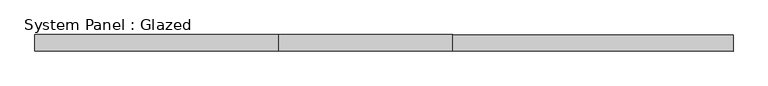
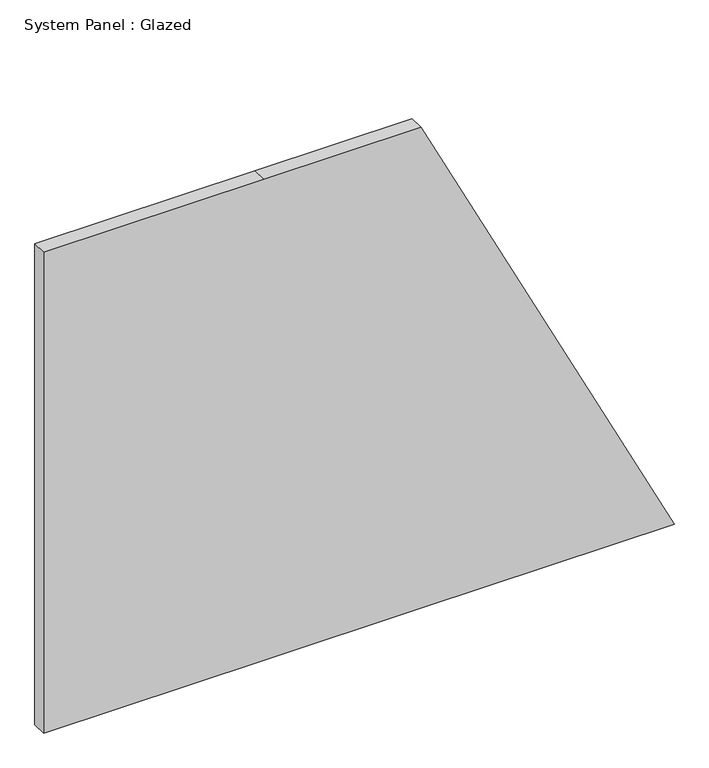
"""IFC4 building model written with IfcOpenShell, lengths in millimetres: plate geometry, System Panel : Glazed."""

from ifc_helpers import new_model, si_unit, point, frame, frame_2d, origin, place, context, project, spatial, polyline, circle_curve, trimmed, segment, composite_curve, outline, extrude, source, transform, mapped, element, save


def system_panel_glazed_67a1e28f(model_context):
    return source(origin(), model_context, "Body", "SweptSolid", [
        extrude(outline(composite_curve([segment(polyline([(0.0, -527.70267), (0.0, -158.9291586), (0.0, 105.7154213), (0.0, 527.70267)]), True, "CONTINUOUS"), segment(trimmed(circle_curve(frame_2d((-2376.8533559, -5302.5159721)), 6296.1004829), [point((0.0, 527.70267))], [point((850.0, 103.8042839))], False, "CARTESIAN"), True, "CONTINUOUS"), segment(polyline([(850.0, 103.8042839), (850.0, -158.9291586), (850.0, -527.70267), (0.0, -527.70267)]), True, "CONTINUOUS")], self_intersect=False)), frame((0.0, 24.5, 0.0), z_axis=(0.0, 1.0, 0.0), x_axis=(0.0, 0.0, 1.0)), (0.0, 0.0, 1.0), 25.0),
    ])


if __name__ == "__main__":
    model = new_model("IFC4")
    model_context = context("Model", 3, world=origin())
    ifc_project = project(units=[si_unit("LENGTHUNIT", "METRE", prefix="MILLI")], contexts=[model_context])
    site = spatial("IfcSite", under=ifc_project)
    building = spatial("IfcBuilding", under=site)
    placement = place(None, origin())
    system_panel_glazed_shape = system_panel_glazed_67a1e28f(model_context)
    element("IfcPlate", 1, ObjectType="System Panel : Glazed", at=placement, inside=building, context=model_context, shape_type="MappedRepresentation", body=[
        mapped(system_panel_glazed_shape, transform((0.0, 0.0, 0.0), x_axis=(1.0, 0.0, 0.0), y_axis=(0.0, 1.0, 0.0), z_axis=(0.0, 0.0, 1.0))),
    ])
    save(model, "model.ifc")
